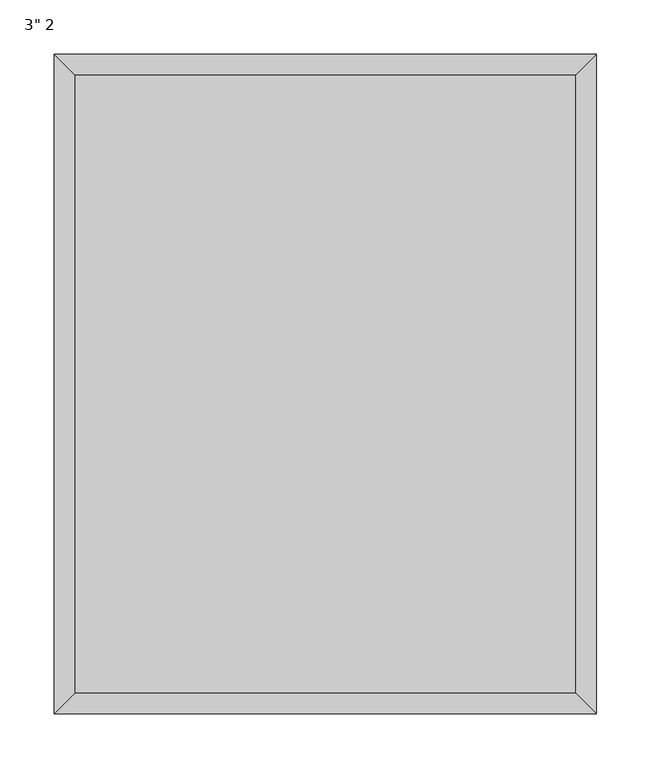
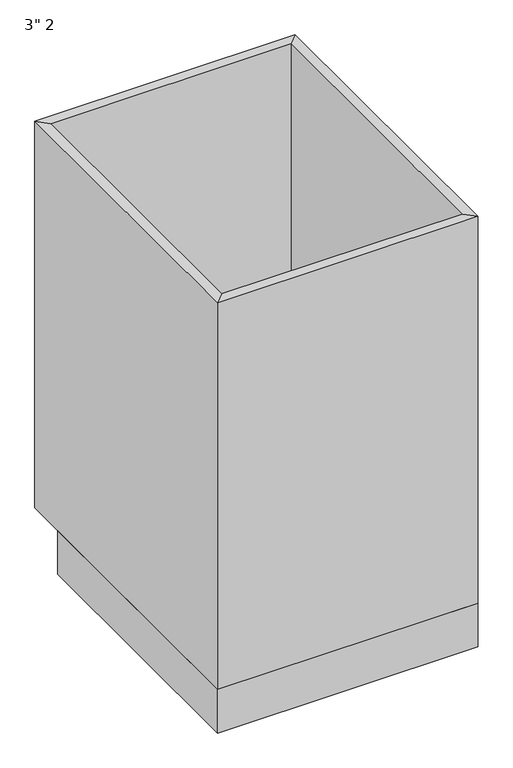
"""IFC4 building model written with IfcOpenShell, lengths in millimetres: furniture geometry."""

from ifc_helpers import new_model, si_unit, frame, origin, origin_with_axes, place, context, project, spatial, polyline, outline, extrude, faceted_brep, source, transform, mapped, element, save


def furniture_cfda9f7a(model_context):
    return source(origin(), model_context, "Body", "SolidModel", [
        extrude(outline(polyline([(250.5127049, 19.05), (-213.0372951, 19.05), (-213.0372951, 590.55), (250.5127049, 590.55), (250.5127049, 19.05)])), frame((0.0, 0.0, 88.9), z_axis=(0.0, 0.0, 1.0), x_axis=(1.0, 0.0, 0.0)), (0.0, 0.0, 1.0), 19.05),
        faceted_brep([(250.5127049, 590.55, 876.3), (-213.0372951, 590.55, 876.3), (-213.0372951, 590.55, 88.9), (250.5127049, 590.55, 88.9), (269.5627049, 609.6, 876.3), (-232.0872951, 609.6, 876.3), (269.5627049, 609.6, 88.9), (-232.0872951, 609.6, 88.9), (-213.0372951, 19.05, 876.3), (-213.0372951, 19.05, 88.9), (-232.0872951, 0.0, 876.3), (-232.0872951, 0.0, 88.9), (250.5127049, 19.05, 876.3), (250.5127049, 19.05, 88.9), (269.5627049, 0.0, 876.3), (269.5627049, 0.0, 88.9)], [[[0, 1, 2, 3]], [[4, 5, 1, 0]], [[6, 7, 5, 4]], [[3, 2, 7, 6]], [[1, 8, 9, 2]], [[5, 10, 8, 1]], [[7, 11, 10, 5]], [[2, 9, 11, 7]], [[8, 12, 13, 9]], [[10, 14, 12, 8]], [[11, 15, 14, 10]], [[9, 13, 15, 11]], [[12, 0, 3, 13]], [[14, 4, 0, 12]], [[15, 6, 4, 14]], [[13, 3, 6, 15]]]),
        extrude(outline(polyline([(269.5627049, 0.0), (-232.0872951, 0.0), (-232.0872951, 533.4), (269.5627049, 533.4), (269.5627049, 0.0)])), origin_with_axes(), (0.0, 0.0, 1.0), 88.9),
    ])


if __name__ == "__main__":
    model = new_model("IFC4")
    model_context = context("Model", 3, world=origin())
    ifc_project = project(units=[si_unit("LENGTHUNIT", "METRE", prefix="MILLI")], contexts=[model_context])
    site = spatial("IfcSite", under=ifc_project)
    building = spatial("IfcBuilding", under=site)
    placement = place(None, origin())
    furniture_shape = furniture_cfda9f7a(model_context)
    element("IfcFurniture", 1, ObjectType="3\" 2", at=placement, inside=building, context=model_context, shape_type="MappedRepresentation", body=[
        mapped(furniture_shape, transform((0.0, 0.0, 0.0), x_axis=(1.0, 0.0, 0.0), y_axis=(0.0, 1.0, 0.0), z_axis=(0.0, 0.0, 1.0))),
    ])
    save(model, "model.ifc")
